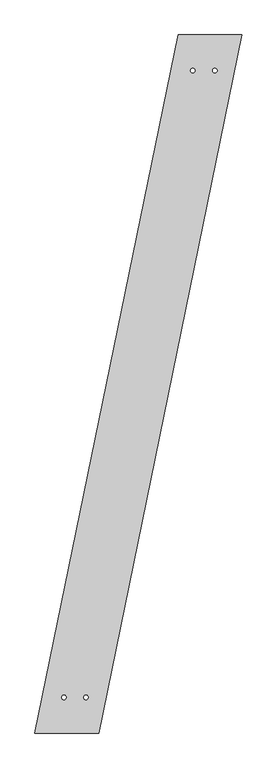
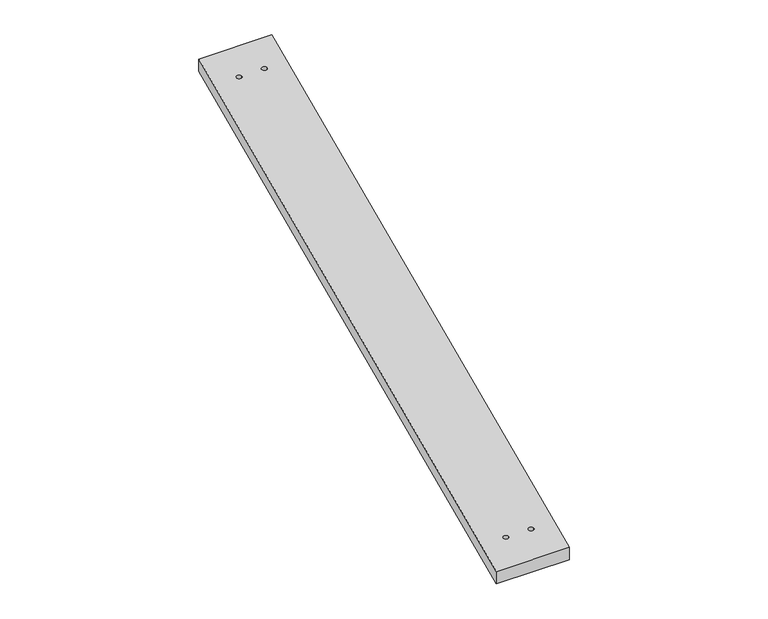
"""IFC4 building model written with IfcOpenShell, lengths in millimetres: proxy geometry."""

from ifc_helpers import new_model, si_unit, point, frame_2d, origin, origin_with_axes, place, context, project, spatial, polyline, circle_curve, trimmed, segment, composite_curve, outline, extrude, source, transform, mapped, element, save


def generic_models_d7ce48d5(model_context):
    return source(origin(), model_context, "Body", "SweptSolid", [
        extrude(outline(polyline([(628.8387533, 3066.180331), (908.8387533, 3066.180331), (280.0, 0.0), (0.0, 0.0), (628.8387533, 3066.180331)]), holes=[composite_curve([segment(trimmed(circle_curve(frame_2d((693.2276053, 2909.680331)), 10.0), [point((683.2276053, 2909.680331))], [point((703.2276053, 2909.680331))], True, "CARTESIAN"), True, "CONTINUOUS"), segment(trimmed(circle_curve(frame_2d((693.2276053, 2909.680331)), 10.0), [point((703.2276053, 2909.680331))], [point((683.2276053, 2909.680331))], True, "CARTESIAN"), True, "CONTINUOUS")], self_intersect=False), composite_curve([segment(trimmed(circle_curve(frame_2d((789.954878, 2909.680331)), 10.0), [point((779.954878, 2909.680331))], [point((799.954878, 2909.680331))], True, "CARTESIAN"), True, "CONTINUOUS"), segment(trimmed(circle_curve(frame_2d((789.954878, 2909.680331)), 10.0), [point((799.954878, 2909.680331))], [point((779.954878, 2909.680331))], True, "CARTESIAN"), True, "CONTINUOUS")], self_intersect=False), composite_curve([segment(trimmed(circle_curve(frame_2d((127.2727273, 156.5)), 10.0), [point((117.2727273, 156.5))], [point((137.2727273, 156.5))], True, "CARTESIAN"), True, "CONTINUOUS"), segment(trimmed(circle_curve(frame_2d((127.2727273, 156.5)), 10.0), [point((137.2727273, 156.5))], [point((117.2727273, 156.5))], True, "CARTESIAN"), True, "CONTINUOUS")], self_intersect=False), composite_curve([segment(trimmed(circle_curve(frame_2d((224.0, 156.5)), 10.0), [point((214.0, 156.5))], [point((234.0, 156.5))], True, "CARTESIAN"), True, "CONTINUOUS"), segment(trimmed(circle_curve(frame_2d((224.0, 156.5)), 10.0), [point((234.0, 156.5))], [point((214.0, 156.5))], True, "CARTESIAN"), True, "CONTINUOUS")], self_intersect=False)]), origin_with_axes(), (0.0, 0.0, 1.0), 50.0),
    ])


if __name__ == "__main__":
    model = new_model("IFC4")
    model_context = context("Model", 3, world=origin())
    ifc_project = project(units=[si_unit("LENGTHUNIT", "METRE", prefix="MILLI")], contexts=[model_context])
    site = spatial("IfcSite", under=ifc_project)
    building = spatial("IfcBuilding", under=site)
    placement = place(None, origin())
    generic_models_shape = generic_models_d7ce48d5(model_context)
    element("IfcBuildingElementProxy", 1, Name="Generic Models", at=placement, inside=building, context=model_context, shape_type="MappedRepresentation", body=[
        mapped(generic_models_shape, transform((0.0, 0.0, 0.0), x_axis=(1.0, 0.0, 0.0), y_axis=(0.0, 1.0, 0.0), z_axis=(0.0, 0.0, 1.0))),
    ])
    save(model, "model.ifc")
